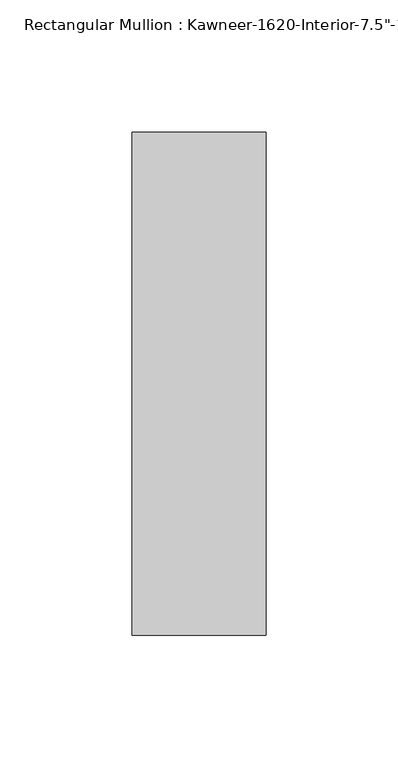
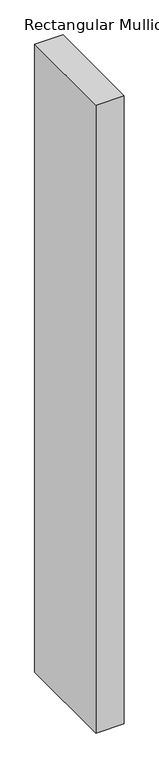
"""IFC4 building model written with IfcOpenShell, lengths in millimetres: member geometry."""

from ifc_helpers import new_model, si_unit, frame, origin, place, context, project, spatial, polyline, outline, extrude, source, transform, mapped, element, save


def member_574d949b(model_context):
    return source(origin(), model_context, "Body", "SweptSolid", [
        extrude(outline(polyline([(25.4, -152.4), (-25.4, -152.4), (-25.4, 38.1), (25.4, 38.1), (25.4, -152.4)])), frame((0.0, 0.0, -1193.8), z_axis=(0.0, 0.0, 1.0), x_axis=(1.0, 0.0, 0.0)), (0.0, 0.0, 1.0), 1193.8),
    ])


if __name__ == "__main__":
    model = new_model("IFC4")
    model_context = context("Model", 3, world=origin())
    ifc_project = project(units=[si_unit("LENGTHUNIT", "METRE", prefix="MILLI")], contexts=[model_context])
    site = spatial("IfcSite", under=ifc_project)
    building = spatial("IfcBuilding", under=site)
    placement = place(None, origin())
    member_shape = member_574d949b(model_context)
    element("IfcMember", 1, ObjectType="Rectangular Mullion : Kawneer-1620-Interior-7.5\"-1\"Infill", at=placement, inside=building, context=model_context, shape_type="MappedRepresentation", body=[
        mapped(member_shape, transform((0.0, 0.0, 0.0), x_axis=(1.0, 0.0, 0.0), y_axis=(0.0, 1.0, 0.0), z_axis=(0.0, 0.0, 1.0))),
    ])
    save(model, "model.ifc")
